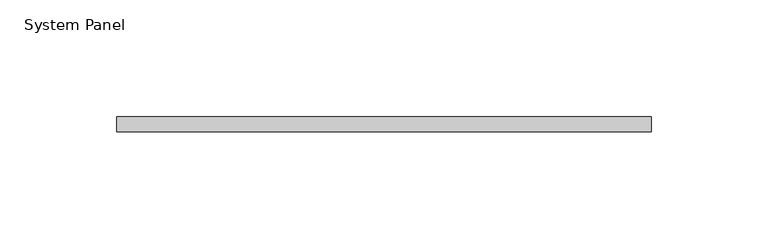
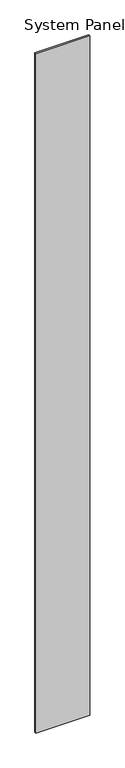
"""IFC4 building model written with IfcOpenShell, lengths in millimetres: plate geometry, System Panel."""

from ifc_helpers import new_model, si_unit, origin, origin_with_axes, place, context, project, spatial, polyline, outline, extrude, source, transform, mapped, element, save


def system_panel_eb3019cc(model_context):
    return source(origin(), model_context, "Body", "SweptSolid", [
        extrude(outline(polyline([(114.3, -6.35), (-114.3, -6.35), (-114.3, 0.0), (114.3, 0.0), (114.3, -6.35)])), origin_with_axes(), (0.0, 0.0, 1.0), 3048.0),
    ])


if __name__ == "__main__":
    model = new_model("IFC4")
    model_context = context("Model", 3, world=origin())
    ifc_project = project(units=[si_unit("LENGTHUNIT", "METRE", prefix="MILLI")], contexts=[model_context])
    site = spatial("IfcSite", under=ifc_project)
    building = spatial("IfcBuilding", under=site)
    placement = place(None, origin())
    system_panel_shape = system_panel_eb3019cc(model_context)
    element("IfcPlate", 1, ObjectType="System Panel", at=placement, inside=building, context=model_context, shape_type="MappedRepresentation", body=[
        mapped(system_panel_shape, transform((0.0, 0.0, 0.0), x_axis=(1.0, 0.0, 0.0), y_axis=(0.0, 1.0, 0.0), z_axis=(0.0, 0.0, 1.0))),
    ])
    save(model, "model.ifc")
